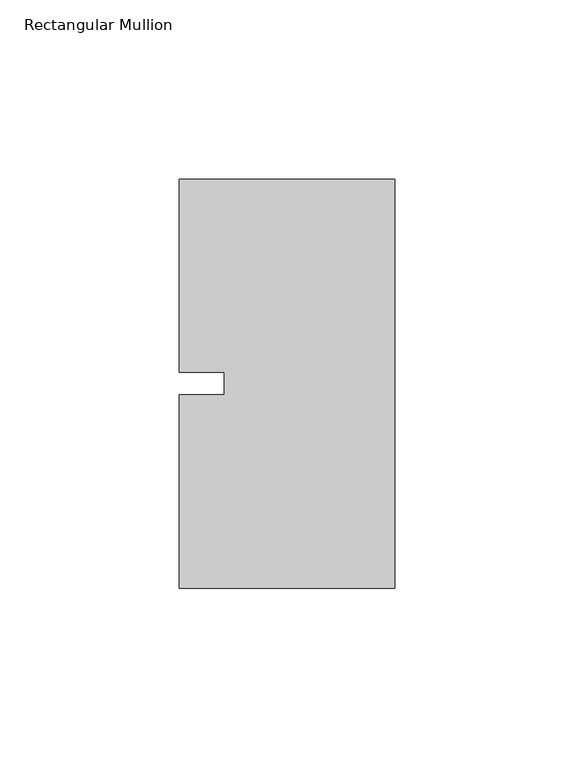
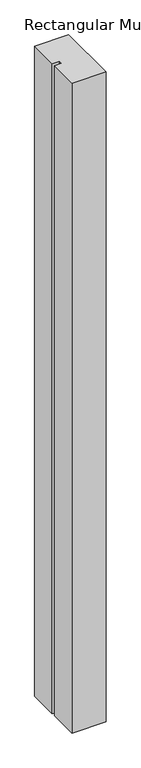
"""IFC4 building model written with IfcOpenShell, lengths in millimetres: member geometry, Rectangular Mullion."""

from ifc_helpers import new_model, si_unit, frame, origin, place, context, project, spatial, polyline, outline, extrude, source, transform, mapped, element, save


def rectangular_mullion_b7c5ef71(model_context):
    return source(origin(), model_context, "Body", "SweptSolid", [
        extrude(outline(polyline([(-60.325, 57.15), (0.0, 57.15), (0.0, -57.15), (-60.325, -57.15), (-60.325, -3.175), (-47.6232296, -3.175), (-47.6232296, 3.175), (-60.325, 3.175), (-60.325, 57.15)])), frame((0.0, 0.0, -1219.2), z_axis=(0.0, 0.0, 1.0), x_axis=(1.0, 0.0, 0.0)), (0.0, 0.0, 1.0), 1219.2),
    ])


if __name__ == "__main__":
    model = new_model("IFC4")
    model_context = context("Model", 3, world=origin())
    ifc_project = project(units=[si_unit("LENGTHUNIT", "METRE", prefix="MILLI")], contexts=[model_context])
    site = spatial("IfcSite", under=ifc_project)
    building = spatial("IfcBuilding", under=site)
    placement = place(None, origin())
    rectangular_mullion_shape = rectangular_mullion_b7c5ef71(model_context)
    element("IfcMember", 1, ObjectType="Rectangular Mullion", at=placement, inside=building, context=model_context, shape_type="MappedRepresentation", body=[
        mapped(rectangular_mullion_shape, transform((0.0, 0.0, 0.0), x_axis=(1.0, 0.0, 0.0), y_axis=(0.0, 1.0, 0.0), z_axis=(0.0, 0.0, 1.0))),
    ])
    save(model, "model.ifc")
